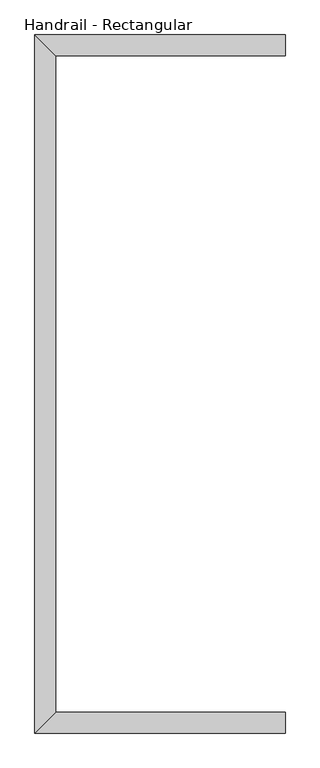
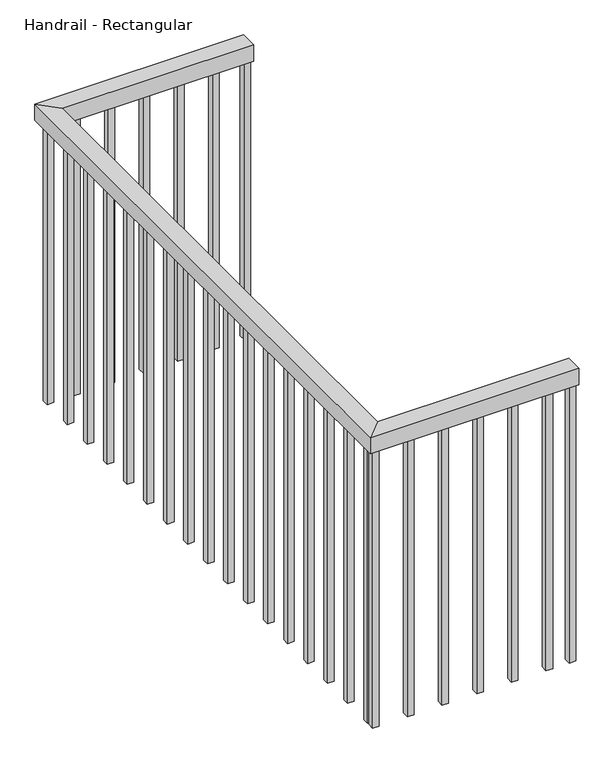
"""IFC4 building model written with IfcOpenShell, lengths in millimetres: railing geometry, Handrail - Rectangular."""

from ifc_helpers import new_model, si_unit, frame, origin, place, context, project, spatial, polyline, outline, extrude, faceted_brep, source, transform, mapped, element, save


def handrail_rectangular_06342dd6(model_context):
    return source(origin(), model_context, "Body", "SolidModel", [
        faceted_brep([(11120.5707582, 1467.457897, 3954.4), (11120.5707582, 1416.657897, 3954.4), (11120.5707582, 1416.657897, 3903.6), (11120.5707582, 1467.457897, 3903.6), (10509.7707582, 1467.457897, 3954.4), (10560.5707582, 1416.657897, 3954.4), (10560.5707582, 1416.657897, 3903.6), (10509.7707582, 1467.457897, 3903.6), (10509.7707582, -234.142103, 3954.4), (10560.5707582, -183.342103, 3954.4), (10560.5707582, -183.342103, 3903.6), (10509.7707582, -234.142103, 3903.6), (11120.5707582, -234.142103, 3954.4), (11120.5707582, -234.142103, 3903.6), (11120.5707582, -183.342103, 3903.6), (11120.5707582, -183.342103, 3954.4)], [[[0, 1, 2, 3]], [[1, 0, 4, 5]], [[2, 1, 5, 6]], [[3, 2, 6, 7]], [[0, 3, 7, 4]], [[5, 4, 8, 9]], [[6, 5, 9, 10]], [[7, 6, 10, 11]], [[4, 7, 11, 8]], [[12, 13, 14, 15]], [[9, 8, 12, 15]], [[10, 9, 15, 14]], [[11, 10, 14, 13]], [[8, 11, 13, 12]]]),
        extrude(outline(polyline([(11033.6457582, -218.267103), (11033.6457582, -199.217103), (11052.6957582, -199.217103), (11052.6957582, -218.267103), (11033.6457582, -218.267103)])), frame((0.0, 0.0, 3040.0), z_axis=(0.0, 0.0, 1.0), x_axis=(1.0, 0.0, 0.0)), (0.0, 0.0, 1.0), 863.6),
        extrude(outline(polyline([(10932.0457582, -218.267103), (10932.0457582, -199.217103), (10951.0957582, -199.217103), (10951.0957582, -218.267103), (10932.0457582, -218.267103)])), frame((0.0, 0.0, 3040.0), z_axis=(0.0, 0.0, 1.0), x_axis=(1.0, 0.0, 0.0)), (0.0, 0.0, 1.0), 863.6),
        extrude(outline(polyline([(10830.4457582, -218.267103), (10830.4457582, -199.217103), (10849.4957582, -199.217103), (10849.4957582, -218.267103), (10830.4457582, -218.267103)])), frame((0.0, 0.0, 3040.0), z_axis=(0.0, 0.0, 1.0), x_axis=(1.0, 0.0, 0.0)), (0.0, 0.0, 1.0), 863.6),
        extrude(outline(polyline([(10728.8457582, -218.267103), (10728.8457582, -199.217103), (10747.8957582, -199.217103), (10747.8957582, -218.267103), (10728.8457582, -218.267103)])), frame((0.0, 0.0, 3040.0), z_axis=(0.0, 0.0, 1.0), x_axis=(1.0, 0.0, 0.0)), (0.0, 0.0, 1.0), 863.6),
        extrude(outline(polyline([(10627.2457582, -218.267103), (10627.2457582, -199.217103), (10646.2957582, -199.217103), (10646.2957582, -218.267103), (10627.2457582, -218.267103)])), frame((0.0, 0.0, 3040.0), z_axis=(0.0, 0.0, 1.0), x_axis=(1.0, 0.0, 0.0)), (0.0, 0.0, 1.0), 863.6),
        extrude(outline(polyline([(10525.6457582, -174.017103), (10544.6957582, -174.017103), (10544.6957582, -193.067103), (10525.6457582, -193.067103), (10525.6457582, -174.017103)])), frame((0.0, 0.0, 3040.0), z_axis=(0.0, 0.0, 1.0), x_axis=(1.0, 0.0, 0.0)), (0.0, 0.0, 1.0), 863.6),
        extrude(outline(polyline([(10525.6457582, -72.417103), (10544.6957582, -72.417103), (10544.6957582, -91.467103), (10525.6457582, -91.467103), (10525.6457582, -72.417103)])), frame((0.0, 0.0, 3040.0), z_axis=(0.0, 0.0, 1.0), x_axis=(1.0, 0.0, 0.0)), (0.0, 0.0, 1.0), 863.6),
        extrude(outline(polyline([(10525.6457582, 29.182897), (10544.6957582, 29.182897), (10544.6957582, 10.132897), (10525.6457582, 10.132897), (10525.6457582, 29.182897)])), frame((0.0, 0.0, 3040.0), z_axis=(0.0, 0.0, 1.0), x_axis=(1.0, 0.0, 0.0)), (0.0, 0.0, 1.0), 863.6),
        extrude(outline(polyline([(10525.6457582, 130.782897), (10544.6957582, 130.782897), (10544.6957582, 111.732897), (10525.6457582, 111.732897), (10525.6457582, 130.782897)])), frame((0.0, 0.0, 3040.0), z_axis=(0.0, 0.0, 1.0), x_axis=(1.0, 0.0, 0.0)), (0.0, 0.0, 1.0), 863.6),
        extrude(outline(polyline([(10525.6457582, 232.382897), (10544.6957582, 232.382897), (10544.6957582, 213.332897), (10525.6457582, 213.332897), (10525.6457582, 232.382897)])), frame((0.0, 0.0, 3040.0), z_axis=(0.0, 0.0, 1.0), x_axis=(1.0, 0.0, 0.0)), (0.0, 0.0, 1.0), 863.6),
        extrude(outline(polyline([(10525.6457582, 333.982897), (10544.6957582, 333.982897), (10544.6957582, 314.932897), (10525.6457582, 314.932897), (10525.6457582, 333.982897)])), frame((0.0, 0.0, 3040.0), z_axis=(0.0, 0.0, 1.0), x_axis=(1.0, 0.0, 0.0)), (0.0, 0.0, 1.0), 863.6),
        extrude(outline(polyline([(10525.6457582, 435.582897), (10544.6957582, 435.582897), (10544.6957582, 416.532897), (10525.6457582, 416.532897), (10525.6457582, 435.582897)])), frame((0.0, 0.0, 3040.0), z_axis=(0.0, 0.0, 1.0), x_axis=(1.0, 0.0, 0.0)), (0.0, 0.0, 1.0), 863.6),
        extrude(outline(polyline([(10525.6457582, 537.182897), (10544.6957582, 537.182897), (10544.6957582, 518.132897), (10525.6457582, 518.132897), (10525.6457582, 537.182897)])), frame((0.0, 0.0, 3040.0), z_axis=(0.0, 0.0, 1.0), x_axis=(1.0, 0.0, 0.0)), (0.0, 0.0, 1.0), 863.6),
        extrude(outline(polyline([(10525.6457582, 638.782897), (10544.6957582, 638.782897), (10544.6957582, 619.732897), (10525.6457582, 619.732897), (10525.6457582, 638.782897)])), frame((0.0, 0.0, 3040.0), z_axis=(0.0, 0.0, 1.0), x_axis=(1.0, 0.0, 0.0)), (0.0, 0.0, 1.0), 863.6),
        extrude(outline(polyline([(10525.6457582, 740.382897), (10544.6957582, 740.382897), (10544.6957582, 721.332897), (10525.6457582, 721.332897), (10525.6457582, 740.382897)])), frame((0.0, 0.0, 3040.0), z_axis=(0.0, 0.0, 1.0), x_axis=(1.0, 0.0, 0.0)), (0.0, 0.0, 1.0), 863.6),
        extrude(outline(polyline([(10525.6457582, 841.982897), (10544.6957582, 841.982897), (10544.6957582, 822.932897), (10525.6457582, 822.932897), (10525.6457582, 841.982897)])), frame((0.0, 0.0, 3040.0), z_axis=(0.0, 0.0, 1.0), x_axis=(1.0, 0.0, 0.0)), (0.0, 0.0, 1.0), 863.6),
        extrude(outline(polyline([(10525.6457582, 943.582897), (10544.6957582, 943.582897), (10544.6957582, 924.532897), (10525.6457582, 924.532897), (10525.6457582, 943.582897)])), frame((0.0, 0.0, 3040.0), z_axis=(0.0, 0.0, 1.0), x_axis=(1.0, 0.0, 0.0)), (0.0, 0.0, 1.0), 863.6),
        extrude(outline(polyline([(10525.6457582, 1045.182897), (10544.6957582, 1045.182897), (10544.6957582, 1026.132897), (10525.6457582, 1026.132897), (10525.6457582, 1045.182897)])), frame((0.0, 0.0, 3040.0), z_axis=(0.0, 0.0, 1.0), x_axis=(1.0, 0.0, 0.0)), (0.0, 0.0, 1.0), 863.6),
        extrude(outline(polyline([(10525.6457582, 1146.782897), (10544.6957582, 1146.782897), (10544.6957582, 1127.732897), (10525.6457582, 1127.732897), (10525.6457582, 1146.782897)])), frame((0.0, 0.0, 3040.0), z_axis=(0.0, 0.0, 1.0), x_axis=(1.0, 0.0, 0.0)), (0.0, 0.0, 1.0), 863.6),
        extrude(outline(polyline([(10525.6457582, 1248.382897), (10544.6957582, 1248.382897), (10544.6957582, 1229.332897), (10525.6457582, 1229.332897), (10525.6457582, 1248.382897)])), frame((0.0, 0.0, 3040.0), z_axis=(0.0, 0.0, 1.0), x_axis=(1.0, 0.0, 0.0)), (0.0, 0.0, 1.0), 863.6),
        extrude(outline(polyline([(10525.6457582, 1349.982897), (10544.6957582, 1349.982897), (10544.6957582, 1330.932897), (10525.6457582, 1330.932897), (10525.6457582, 1349.982897)])), frame((0.0, 0.0, 3040.0), z_axis=(0.0, 0.0, 1.0), x_axis=(1.0, 0.0, 0.0)), (0.0, 0.0, 1.0), 863.6),
        extrude(outline(polyline([(10622.0957582, 1451.582897), (10622.0957582, 1432.532897), (10603.0457582, 1432.532897), (10603.0457582, 1451.582897), (10622.0957582, 1451.582897)])), frame((0.0, 0.0, 3040.0), z_axis=(0.0, 0.0, 1.0), x_axis=(1.0, 0.0, 0.0)), (0.0, 0.0, 1.0), 863.6),
        extrude(outline(polyline([(10723.6957582, 1451.582897), (10723.6957582, 1432.532897), (10704.6457582, 1432.532897), (10704.6457582, 1451.582897), (10723.6957582, 1451.582897)])), frame((0.0, 0.0, 3040.0), z_axis=(0.0, 0.0, 1.0), x_axis=(1.0, 0.0, 0.0)), (0.0, 0.0, 1.0), 863.6),
        extrude(outline(polyline([(10825.2957582, 1451.582897), (10825.2957582, 1432.532897), (10806.2457582, 1432.532897), (10806.2457582, 1451.582897), (10825.2957582, 1451.582897)])), frame((0.0, 0.0, 3040.0), z_axis=(0.0, 0.0, 1.0), x_axis=(1.0, 0.0, 0.0)), (0.0, 0.0, 1.0), 863.6),
        extrude(outline(polyline([(10926.8957582, 1451.582897), (10926.8957582, 1432.532897), (10907.8457582, 1432.532897), (10907.8457582, 1451.582897), (10926.8957582, 1451.582897)])), frame((0.0, 0.0, 3040.0), z_axis=(0.0, 0.0, 1.0), x_axis=(1.0, 0.0, 0.0)), (0.0, 0.0, 1.0), 863.6),
        extrude(outline(polyline([(11028.4957582, 1451.582897), (11028.4957582, 1432.532897), (11009.4457582, 1432.532897), (11009.4457582, 1451.582897), (11028.4957582, 1451.582897)])), frame((0.0, 0.0, 3040.0), z_axis=(0.0, 0.0, 1.0), x_axis=(1.0, 0.0, 0.0)), (0.0, 0.0, 1.0), 863.6),
        extrude(outline(polyline([(10525.6457582, -199.217103), (10544.6957582, -199.217103), (10544.6957582, -218.267103), (10525.6457582, -218.267103), (10525.6457582, -199.217103)])), frame((0.0, 0.0, 3040.0), z_axis=(0.0, 0.0, 1.0), x_axis=(1.0, 0.0, 0.0)), (0.0, 0.0, 1.0), 863.6),
        extrude(outline(polyline([(10544.6957582, 1451.582897), (10544.6957582, 1432.532897), (10525.6457582, 1432.532897), (10525.6457582, 1451.582897), (10544.6957582, 1451.582897)])), frame((0.0, 0.0, 3040.0), z_axis=(0.0, 0.0, 1.0), x_axis=(1.0, 0.0, 0.0)), (0.0, 0.0, 1.0), 863.6),
        extrude(outline(polyline([(11101.5207582, -218.267103), (11101.5207582, -199.217103), (11120.5707582, -199.217103), (11120.5707582, -218.267103), (11101.5207582, -218.267103)])), frame((0.0, 0.0, 3040.0), z_axis=(0.0, 0.0, 1.0), x_axis=(1.0, 0.0, 0.0)), (0.0, 0.0, 1.0), 863.6),
        extrude(outline(polyline([(11120.5707582, 1451.582897), (11120.5707582, 1432.532897), (11101.5207582, 1432.532897), (11101.5207582, 1451.582897), (11120.5707582, 1451.582897)])), frame((0.0, 0.0, 3040.0), z_axis=(0.0, 0.0, 1.0), x_axis=(1.0, 0.0, 0.0)), (0.0, 0.0, 1.0), 863.6),
    ])


if __name__ == "__main__":
    model = new_model("IFC4")
    model_context = context("Model", 3, world=origin())
    ifc_project = project(units=[si_unit("LENGTHUNIT", "METRE", prefix="MILLI")], contexts=[model_context])
    site = spatial("IfcSite", under=ifc_project)
    building = spatial("IfcBuilding", under=site)
    placement = place(None, origin())
    handrail_rectangular_shape = handrail_rectangular_06342dd6(model_context)
    element("IfcRailing", 1, ObjectType="Handrail - Rectangular", at=placement, inside=building, context=model_context, shape_type="MappedRepresentation", body=[
        mapped(handrail_rectangular_shape, transform((0.0, 0.0, 0.0), x_axis=(1.0, 0.0, 0.0), y_axis=(0.0, 1.0, 0.0), z_axis=(0.0, 0.0, 1.0))),
    ])
    save(model, "model.ifc")
